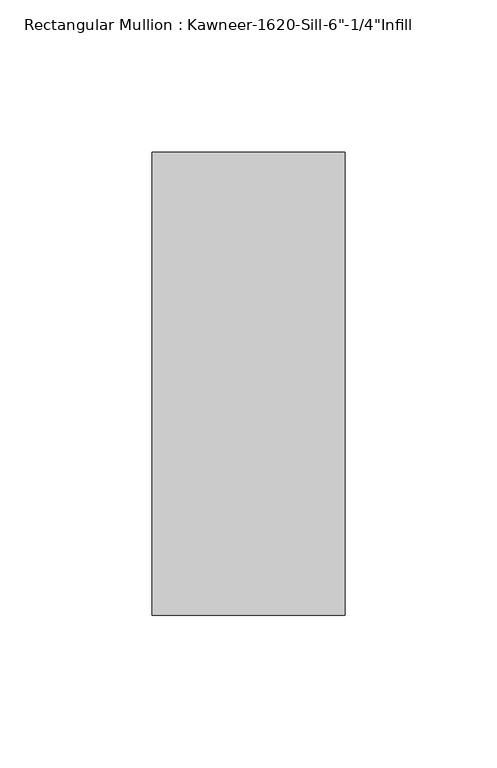
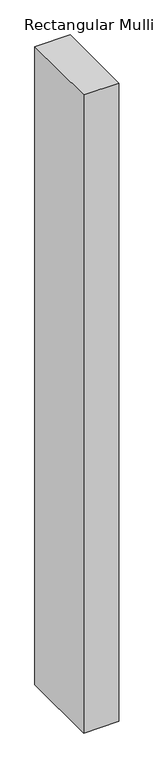
"""IFC4 building model written with IfcOpenShell, lengths in millimetres: member geometry."""

from ifc_helpers import new_model, si_unit, frame, origin, place, context, project, spatial, polyline, outline, extrude, source, transform, mapped, element, save


def member_733fa7a8(model_context):
    return source(origin(), model_context, "Body", "SweptSolid", [
        extrude(outline(polyline([(-63.5, 28.575), (0.0, 28.575), (0.0, -123.825), (-63.5, -123.825), (-63.5, 28.575)])), frame((0.0, 0.0, -1219.2), z_axis=(0.0, 0.0, 1.0), x_axis=(1.0, 0.0, 0.0)), (0.0, 0.0, 1.0), 1219.2),
    ])


if __name__ == "__main__":
    model = new_model("IFC4")
    model_context = context("Model", 3, world=origin())
    ifc_project = project(units=[si_unit("LENGTHUNIT", "METRE", prefix="MILLI")], contexts=[model_context])
    site = spatial("IfcSite", under=ifc_project)
    building = spatial("IfcBuilding", under=site)
    placement = place(None, origin())
    member_shape = member_733fa7a8(model_context)
    element("IfcMember", 1, ObjectType="Rectangular Mullion : Kawneer-1620-Sill-6\"-1/4\"Infill", at=placement, inside=building, context=model_context, shape_type="MappedRepresentation", body=[
        mapped(member_shape, transform((0.0, 0.0, 0.0), x_axis=(1.0, 0.0, 0.0), y_axis=(0.0, 1.0, 0.0), z_axis=(0.0, 0.0, 1.0))),
    ])
    save(model, "model.ifc")
